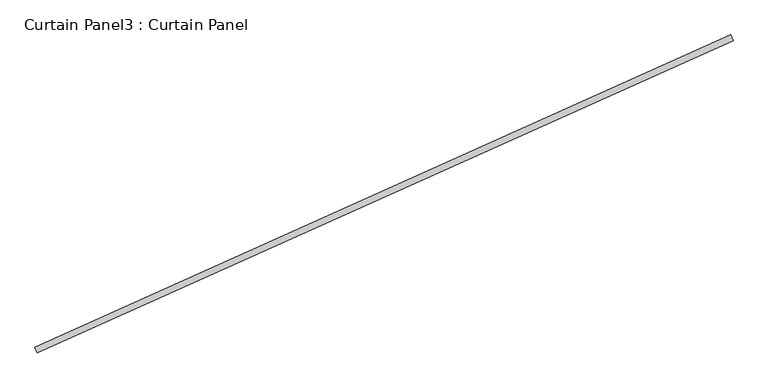
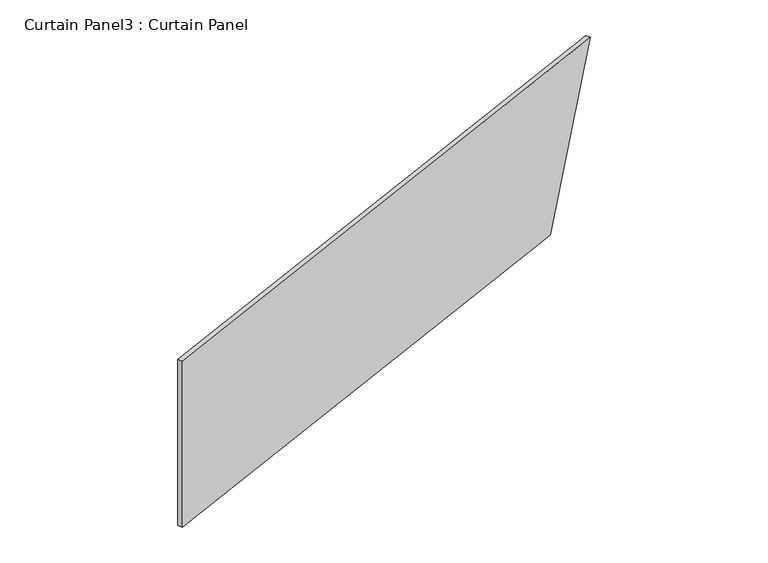
"""IFC4 building model written with IfcOpenShell, lengths in millimetres: plate geometry, Curtain Panel3 : Curtain Panel."""

from ifc_helpers import new_model, si_unit, frame, origin, place, context, project, spatial, polyline, outline, extrude, source, transform, mapped, element, save


def curtain_panel3_curtain_panel_8cf52edc(model_context):
    return source(origin(), model_context, "Body", "SweptSolid", [
        extrude(outline(polyline([(0.0, 0.0), (0.0, -2838.7265129), (-914.4, -3147.4041175), (-914.4, 0.0), (0.0, 0.0)])), frame((36557.5770857, -12836.3437505, 6400.8), z_axis=(-0.4102319712783583, 0.9119812112873117, 0.0), x_axis=(0.0, 0.0, -1.0)), (0.0, 0.0, 1.0), 25.4),
    ])


if __name__ == "__main__":
    model = new_model("IFC4")
    model_context = context("Model", 3, world=origin())
    ifc_project = project(units=[si_unit("LENGTHUNIT", "METRE", prefix="MILLI")], contexts=[model_context])
    site = spatial("IfcSite", under=ifc_project)
    building = spatial("IfcBuilding", under=site)
    placement = place(None, origin())
    curtain_panel3_curtain_panel_shape = curtain_panel3_curtain_panel_8cf52edc(model_context)
    element("IfcPlate", 1, ObjectType="Curtain Panel3 : Curtain Panel", at=placement, inside=building, context=model_context, shape_type="MappedRepresentation", body=[
        mapped(curtain_panel3_curtain_panel_shape, transform((0.0, 0.0, 0.0), x_axis=(1.0, 0.0, 0.0), y_axis=(0.0, 1.0, 0.0), z_axis=(0.0, 0.0, 1.0))),
    ])
    save(model, "model.ifc")
